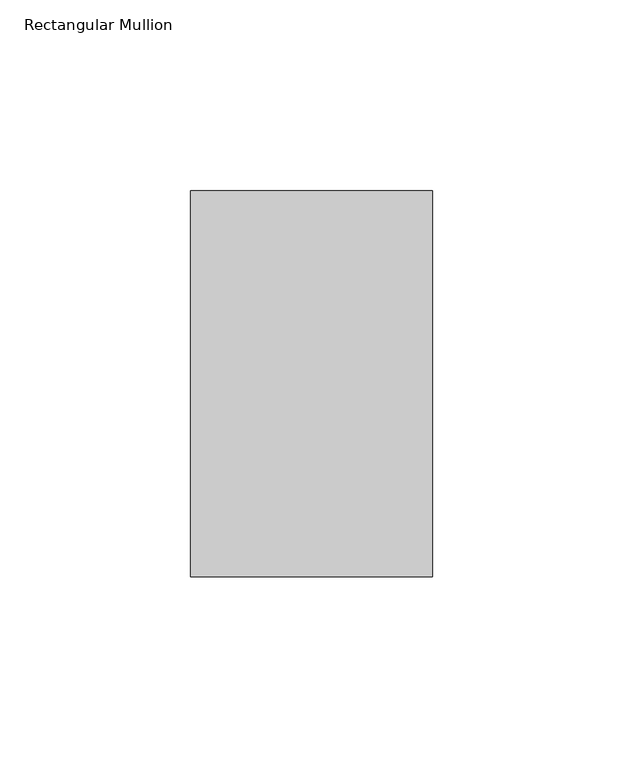
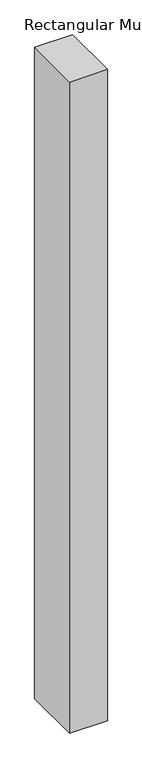
"""IFC4 building model written with IfcOpenShell, lengths in millimetres: member geometry, Rectangular Mullion."""

import ifcopenshell
import ifcopenshell.guid

model = None  # the IFC model being written
_history = None  # IfcOwnerHistory: only IFC2X3 demands one
_inside = {}  # id of a spatial element -> (the spatial element, [elements in it])
_under = {}  # id of a project, library or spatial element -> (it, [spatial elements below it])
_declared = {}  # id of a project -> (the project, [libraries it declares])
_typed = {}  # id of a type object -> (the type object, [elements of that type])
_made_of = {}  # id of a material, layer set ... -> (it, [elements and type objects made of it])


def new_model(schema):
    """Start an empty IFC model of exactly this schema.

    Asked for "IFC4X3", IfcOpenShell would pick the latest addendum, in which some entities
    have other attributes; the version numbers below select the first issue.
    IFC2X3 requires an IfcOwnerHistory on every rooted entity: one is made here for all.
    """
    global model, _history
    if schema == "IFC4X3":
        model = ifcopenshell.file(schema_version=(4, 3, 0, 0))
    else:
        model = ifcopenshell.file(schema=schema)
    _inside.clear()
    _under.clear()
    _declared.clear()
    _typed.clear()
    _made_of.clear()
    _history = None
    if model.schema == "IFC2X3":
        org = make("IfcOrganization", Name="unknown")
        user = make(
            "IfcPersonAndOrganization",
            ThePerson=make("IfcPerson", FamilyName="unknown"),
            TheOrganization=org,
        )
        app = make(
            "IfcApplication",
            ApplicationDeveloper=org,
            Version="unknown",
            ApplicationFullName="unknown",
            ApplicationIdentifier="unknown",
        )
        _history = make(
            "IfcOwnerHistory",
            OwningUser=user,
            OwningApplication=app,
            ChangeAction="ADDED",
            CreationDate=0,
        )
    return model


def make(cls, **values):
    """One entity of the class cls with the attributes given. An attribute that is None is left unset."""
    return model.create_entity(
        cls, **{name: value for name, value in values.items() if value is not None}
    )


def rooted(cls, **values):
    """An entity with a GlobalId (a new one), such as an element, a storey or a relation."""
    return make(cls, GlobalId=ifcopenshell.guid.new(), OwnerHistory=_history, **values)


def si_unit(unit_type, name, prefix=None):
    """IfcSIUnit, for example si_unit("LENGTHUNIT", "METRE", prefix="MILLI")."""
    return make("IfcSIUnit", UnitType=unit_type, Prefix=prefix, Name=name)


def assignment(units):
    """IfcUnitAssignment: the units of a project."""
    return None if units is None else make("IfcUnitAssignment", Units=units)


def point(xyz):
    """IfcCartesianPoint."""
    return None if xyz is None else make("IfcCartesianPoint", Coordinates=xyz)


def direction(xyz):
    """IfcDirection."""
    return None if xyz is None else make("IfcDirection", DirectionRatios=xyz)


def frame(location, z_axis=None, x_axis=None):
    """IfcAxis2Placement3D, a coordinate frame: its origin and axes. An axis left out is left unset."""
    return make(
        "IfcAxis2Placement3D",
        Location=point(location),
        Axis=direction(z_axis),
        RefDirection=direction(x_axis),
    )


def origin():
    """The frame at (0, 0, 0) with its axes left unset."""
    return frame((0.0, 0.0, 0.0))


def place(relative_to, where):
    """IfcLocalPlacement: puts the frame where relative to a parent placement (None: the world)."""
    return make(
        "IfcLocalPlacement", PlacementRelTo=relative_to, RelativePlacement=where
    )


def context(
    kind, dimensions, precision=None, world=None, true_north=None, identifier=None
):
    """IfcGeometricRepresentationContext, for example the 3D "Model" context."""
    return make(
        "IfcGeometricRepresentationContext",
        ContextIdentifier=identifier,
        ContextType=kind,
        CoordinateSpaceDimension=dimensions,
        Precision=precision,
        WorldCoordinateSystem=world,
        TrueNorth=true_north,
    )


def project(units=None, contexts=None):
    """IfcProject with its units and contexts."""
    return rooted(
        "IfcProject",
        Name="project",
        RepresentationContexts=contexts,
        UnitsInContext=assignment(units),
    )


def spatial(cls, under=None, at=None, **own):
    """A site, building, storey or space (cls), placed at a placement, below another one or the project."""
    s = rooted(cls, ObjectPlacement=at, **own)
    if under is not None:
        _under.setdefault(under.id(), (under, []))[1].append(s)
    return s


def polyline(points):
    """IfcPolyline through the points."""
    return make("IfcPolyline", Points=[point(p) for p in points])


def outline(outer, holes=None, kind="AREA"):
    """IfcArbitraryClosedProfileDef: a profile drawn as a closed curve; with holes, ...WithVoids."""
    if holes is None:
        return make("IfcArbitraryClosedProfileDef", ProfileType=kind, OuterCurve=outer)
    return make(
        "IfcArbitraryProfileDefWithVoids",
        ProfileType=kind,
        OuterCurve=outer,
        InnerCurves=holes,
    )


def extrude(swept, where, along, depth):
    """IfcExtrudedAreaSolid: the profile swept, set in the frame where, extruded along a direction by depth."""
    return make(
        "IfcExtrudedAreaSolid",
        SweptArea=swept,
        Position=where,
        ExtrudedDirection=direction(along),
        Depth=depth,
    )


def shape(context_of_items, identifier, shape_type, items):
    """IfcShapeRepresentation: the items that make up one representation, for example the "Body"."""
    return make(
        "IfcShapeRepresentation",
        ContextOfItems=context_of_items,
        RepresentationIdentifier=identifier,
        RepresentationType=shape_type,
        Items=items,
    )


def source(mapping_origin, context_of_items, identifier, shape_type, items):
    """IfcRepresentationMap: a shape defined once, which mapped items show again and again."""
    return make(
        "IfcRepresentationMap",
        MappingOrigin=mapping_origin,
        MappedRepresentation=shape(context_of_items, identifier, shape_type, items),
    )


def transform(
    local_origin,
    x_axis=None,
    y_axis=None,
    z_axis=None,
    scale=None,
    scale2=None,
    scale3=None,
    uniform=True,
):
    """IfcCartesianTransformationOperator3D, or its non-uniform kind. x_axis, y_axis, z_axis: its Axis1, 2, 3."""
    if uniform:
        return make(
            "IfcCartesianTransformationOperator3D",
            Axis1=direction(x_axis),
            Axis2=direction(y_axis),
            LocalOrigin=point(local_origin),
            Scale=scale,
            Axis3=direction(z_axis),
        )
    return make(
        "IfcCartesianTransformationOperator3DnonUniform",
        Axis1=direction(x_axis),
        Axis2=direction(y_axis),
        LocalOrigin=point(local_origin),
        Scale=scale,
        Axis3=direction(z_axis),
        Scale2=scale2,
        Scale3=scale3,
    )


def mapped(mapping_source, mapping_target):
    """IfcMappedItem: shows the shape of a source again, moved by a transform."""
    return make(
        "IfcMappedItem", MappingSource=mapping_source, MappingTarget=mapping_target
    )


def made_of(thing, what):
    """Note that an element or type object is made of a material, layer set ...; save() writes the relation."""
    if what is not None:
        _made_of.setdefault(what.id(), (what, []))[1].append(thing)
    return thing


def element(
    cls,
    number,
    at=None,
    inside=None,
    cuts=None,
    type_object=None,
    material=None,
    context=None,
    identifier="Body",
    shape_type=None,
    held_by="IfcProductDefinitionShape",
    body=None,
    shapes=None,
    **own,
):
    """One element of the class cls, such as IfcWall. Its Tag is "e" and its number.

    at: its placement. inside: the storey or other place that contains it. cuts: it is an
    opening in that element (IfcRelVoidsElement). A single representation is given by context,
    identifier, shape_type and body (its items); several are given by shapes. held_by: the class
    of the entity that holds the representations. save() writes the other relations.
    """
    e = rooted(cls, Tag="e%d" % number, ObjectPlacement=at, **own)
    if body is not None:
        shapes = [shape(context, identifier, shape_type, body)]
    if shapes is not None:
        e.Representation = make(held_by, Representations=shapes)
    if inside is not None:
        _inside.setdefault(inside.id(), (inside, []))[1].append(e)
    if cuts is not None:
        rooted(
            "IfcRelVoidsElement", RelatingBuildingElement=cuts, RelatedOpeningElement=e
        )
    if type_object is not None:
        _typed.setdefault(type_object.id(), (type_object, []))[1].append(e)
    return made_of(e, material)


def aggregate(whole, parts):
    """IfcRelAggregates: a whole, such as a stair, and the parts it consists of."""
    return rooted("IfcRelAggregates", RelatingObject=whole, RelatedObjects=parts)


def save(model, path):
    """Write the relations noted so far, then the file.

    IfcRelAggregates (storeys below a building ...), IfcRelContainedInSpatialStructure (elements
    in a storey), IfcRelDefinesByType, IfcRelAssociatesMaterial and IfcRelDeclares: one each for
    every whole, place, type object, material and project.
    """
    for whole, parts in _under.values():
        aggregate(whole, parts)
    for where, things in _inside.values():
        rooted(
            "IfcRelContainedInSpatialStructure",
            RelatedElements=things,
            RelatingStructure=where,
        )
    for kind, things in _typed.values():
        rooted("IfcRelDefinesByType", RelatedObjects=things, RelatingType=kind)
    for what, things in _made_of.values():
        rooted("IfcRelAssociatesMaterial", RelatedObjects=things, RelatingMaterial=what)
    for by, libraries in _declared.values():
        rooted("IfcRelDeclares", RelatingContext=by, RelatedDefinitions=libraries)
    model.write(path)


def rectangular_mullion_887b5a90(model_context):
    return source(origin(), model_context, "Body", "SweptSolid", [
        extrude(outline(polyline([(-31.75, 157.8475063), (31.75, 157.8475063), (31.75, 56.6539063), (-31.75, 56.6539063), (-31.75, 157.8475063)])), frame((0.0, 0.0, -1155.7), z_axis=(0.0, 0.0, 1.0), x_axis=(1.0, 0.0, 0.0)), (0.0, 0.0, 1.0), 1155.7),
    ])


if __name__ == "__main__":
    model = new_model("IFC4")
    model_context = context("Model", 3, world=origin())
    ifc_project = project(units=[si_unit("LENGTHUNIT", "METRE", prefix="MILLI")], contexts=[model_context])
    site = spatial("IfcSite", under=ifc_project)
    building = spatial("IfcBuilding", under=site)
    placement = place(None, origin())
    rectangular_mullion_shape = rectangular_mullion_887b5a90(model_context)
    element("IfcMember", 1, ObjectType="Rectangular Mullion", at=placement, inside=building, context=model_context, shape_type="MappedRepresentation", body=[
        mapped(rectangular_mullion_shape, transform((0.0, 0.0, 0.0), x_axis=(1.0, 0.0, 0.0), y_axis=(0.0, 1.0, 0.0), z_axis=(0.0, 0.0, 1.0))),
    ])
    save(model, "model.ifc")
